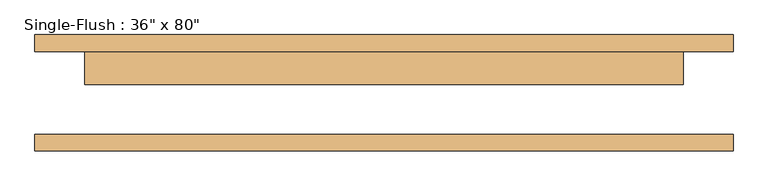
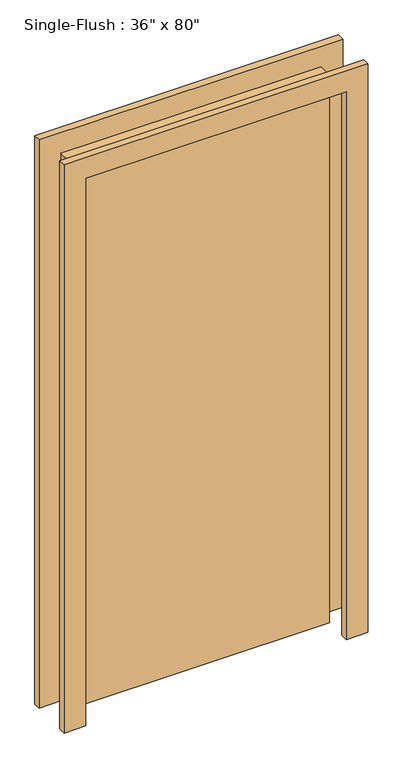
"""IFC4 building model written with IfcOpenShell, lengths in millimetres: door geometry."""

import ifcopenshell
import ifcopenshell.guid

model = None  # the IFC model being written
_history = None  # IfcOwnerHistory: only IFC2X3 demands one
_inside = {}  # id of a spatial element -> (the spatial element, [elements in it])
_under = {}  # id of a project, library or spatial element -> (it, [spatial elements below it])
_declared = {}  # id of a project -> (the project, [libraries it declares])
_typed = {}  # id of a type object -> (the type object, [elements of that type])
_made_of = {}  # id of a material, layer set ... -> (it, [elements and type objects made of it])


def new_model(schema):
    """Start an empty IFC model of exactly this schema.

    Asked for "IFC4X3", IfcOpenShell would pick the latest addendum, in which some entities
    have other attributes; the version numbers below select the first issue.
    IFC2X3 requires an IfcOwnerHistory on every rooted entity: one is made here for all.
    """
    global model, _history
    if schema == "IFC4X3":
        model = ifcopenshell.file(schema_version=(4, 3, 0, 0))
    else:
        model = ifcopenshell.file(schema=schema)
    _inside.clear()
    _under.clear()
    _declared.clear()
    _typed.clear()
    _made_of.clear()
    _history = None
    if model.schema == "IFC2X3":
        org = make("IfcOrganization", Name="unknown")
        user = make(
            "IfcPersonAndOrganization",
            ThePerson=make("IfcPerson", FamilyName="unknown"),
            TheOrganization=org,
        )
        app = make(
            "IfcApplication",
            ApplicationDeveloper=org,
            Version="unknown",
            ApplicationFullName="unknown",
            ApplicationIdentifier="unknown",
        )
        _history = make(
            "IfcOwnerHistory",
            OwningUser=user,
            OwningApplication=app,
            ChangeAction="ADDED",
            CreationDate=0,
        )
    return model


def make(cls, **values):
    """One entity of the class cls with the attributes given. An attribute that is None is left unset."""
    return model.create_entity(
        cls, **{name: value for name, value in values.items() if value is not None}
    )


def rooted(cls, **values):
    """An entity with a GlobalId (a new one), such as an element, a storey or a relation."""
    return make(cls, GlobalId=ifcopenshell.guid.new(), OwnerHistory=_history, **values)


def si_unit(unit_type, name, prefix=None):
    """IfcSIUnit, for example si_unit("LENGTHUNIT", "METRE", prefix="MILLI")."""
    return make("IfcSIUnit", UnitType=unit_type, Prefix=prefix, Name=name)


def assignment(units):
    """IfcUnitAssignment: the units of a project."""
    return None if units is None else make("IfcUnitAssignment", Units=units)


def point(xyz):
    """IfcCartesianPoint."""
    return None if xyz is None else make("IfcCartesianPoint", Coordinates=xyz)


def direction(xyz):
    """IfcDirection."""
    return None if xyz is None else make("IfcDirection", DirectionRatios=xyz)


def frame(location, z_axis=None, x_axis=None):
    """IfcAxis2Placement3D, a coordinate frame: its origin and axes. An axis left out is left unset."""
    return make(
        "IfcAxis2Placement3D",
        Location=point(location),
        Axis=direction(z_axis),
        RefDirection=direction(x_axis),
    )


def origin():
    """The frame at (0, 0, 0) with its axes left unset."""
    return frame((0.0, 0.0, 0.0))


def origin_with_axes():
    """The frame at (0, 0, 0) with the z axis (0, 0, 1) and the x axis (1, 0, 0) written out."""
    return frame((0.0, 0.0, 0.0), z_axis=(0.0, 0.0, 1.0), x_axis=(1.0, 0.0, 0.0))


def place(relative_to, where):
    """IfcLocalPlacement: puts the frame where relative to a parent placement (None: the world)."""
    return make(
        "IfcLocalPlacement", PlacementRelTo=relative_to, RelativePlacement=where
    )


def context(
    kind, dimensions, precision=None, world=None, true_north=None, identifier=None
):
    """IfcGeometricRepresentationContext, for example the 3D "Model" context."""
    return make(
        "IfcGeometricRepresentationContext",
        ContextIdentifier=identifier,
        ContextType=kind,
        CoordinateSpaceDimension=dimensions,
        Precision=precision,
        WorldCoordinateSystem=world,
        TrueNorth=true_north,
    )


def project(units=None, contexts=None):
    """IfcProject with its units and contexts."""
    return rooted(
        "IfcProject",
        Name="project",
        RepresentationContexts=contexts,
        UnitsInContext=assignment(units),
    )


def spatial(cls, under=None, at=None, **own):
    """A site, building, storey or space (cls), placed at a placement, below another one or the project."""
    s = rooted(cls, ObjectPlacement=at, **own)
    if under is not None:
        _under.setdefault(under.id(), (under, []))[1].append(s)
    return s


def polyline(points):
    """IfcPolyline through the points."""
    return make("IfcPolyline", Points=[point(p) for p in points])


def outline(outer, holes=None, kind="AREA"):
    """IfcArbitraryClosedProfileDef: a profile drawn as a closed curve; with holes, ...WithVoids."""
    if holes is None:
        return make("IfcArbitraryClosedProfileDef", ProfileType=kind, OuterCurve=outer)
    return make(
        "IfcArbitraryProfileDefWithVoids",
        ProfileType=kind,
        OuterCurve=outer,
        InnerCurves=holes,
    )


def extrude(swept, where, along, depth):
    """IfcExtrudedAreaSolid: the profile swept, set in the frame where, extruded along a direction by depth."""
    return make(
        "IfcExtrudedAreaSolid",
        SweptArea=swept,
        Position=where,
        ExtrudedDirection=direction(along),
        Depth=depth,
    )


def shape(context_of_items, identifier, shape_type, items):
    """IfcShapeRepresentation: the items that make up one representation, for example the "Body"."""
    return make(
        "IfcShapeRepresentation",
        ContextOfItems=context_of_items,
        RepresentationIdentifier=identifier,
        RepresentationType=shape_type,
        Items=items,
    )


def source(mapping_origin, context_of_items, identifier, shape_type, items):
    """IfcRepresentationMap: a shape defined once, which mapped items show again and again."""
    return make(
        "IfcRepresentationMap",
        MappingOrigin=mapping_origin,
        MappedRepresentation=shape(context_of_items, identifier, shape_type, items),
    )


def transform(
    local_origin,
    x_axis=None,
    y_axis=None,
    z_axis=None,
    scale=None,
    scale2=None,
    scale3=None,
    uniform=True,
):
    """IfcCartesianTransformationOperator3D, or its non-uniform kind. x_axis, y_axis, z_axis: its Axis1, 2, 3."""
    if uniform:
        return make(
            "IfcCartesianTransformationOperator3D",
            Axis1=direction(x_axis),
            Axis2=direction(y_axis),
            LocalOrigin=point(local_origin),
            Scale=scale,
            Axis3=direction(z_axis),
        )
    return make(
        "IfcCartesianTransformationOperator3DnonUniform",
        Axis1=direction(x_axis),
        Axis2=direction(y_axis),
        LocalOrigin=point(local_origin),
        Scale=scale,
        Axis3=direction(z_axis),
        Scale2=scale2,
        Scale3=scale3,
    )


def mapped(mapping_source, mapping_target):
    """IfcMappedItem: shows the shape of a source again, moved by a transform."""
    return make(
        "IfcMappedItem", MappingSource=mapping_source, MappingTarget=mapping_target
    )


def made_of(thing, what):
    """Note that an element or type object is made of a material, layer set ...; save() writes the relation."""
    if what is not None:
        _made_of.setdefault(what.id(), (what, []))[1].append(thing)
    return thing


def element(
    cls,
    number,
    at=None,
    inside=None,
    cuts=None,
    type_object=None,
    material=None,
    context=None,
    identifier="Body",
    shape_type=None,
    held_by="IfcProductDefinitionShape",
    body=None,
    shapes=None,
    **own,
):
    """One element of the class cls, such as IfcWall. Its Tag is "e" and its number.

    at: its placement. inside: the storey or other place that contains it. cuts: it is an
    opening in that element (IfcRelVoidsElement). A single representation is given by context,
    identifier, shape_type and body (its items); several are given by shapes. held_by: the class
    of the entity that holds the representations. save() writes the other relations.
    """
    e = rooted(cls, Tag="e%d" % number, ObjectPlacement=at, **own)
    if body is not None:
        shapes = [shape(context, identifier, shape_type, body)]
    if shapes is not None:
        e.Representation = make(held_by, Representations=shapes)
    if inside is not None:
        _inside.setdefault(inside.id(), (inside, []))[1].append(e)
    if cuts is not None:
        rooted(
            "IfcRelVoidsElement", RelatingBuildingElement=cuts, RelatedOpeningElement=e
        )
    if type_object is not None:
        _typed.setdefault(type_object.id(), (type_object, []))[1].append(e)
    return made_of(e, material)


def aggregate(whole, parts):
    """IfcRelAggregates: a whole, such as a stair, and the parts it consists of."""
    return rooted("IfcRelAggregates", RelatingObject=whole, RelatedObjects=parts)


def save(model, path):
    """Write the relations noted so far, then the file.

    IfcRelAggregates (storeys below a building ...), IfcRelContainedInSpatialStructure (elements
    in a storey), IfcRelDefinesByType, IfcRelAssociatesMaterial and IfcRelDeclares: one each for
    every whole, place, type object, material and project.
    """
    for whole, parts in _under.values():
        aggregate(whole, parts)
    for where, things in _inside.values():
        rooted(
            "IfcRelContainedInSpatialStructure",
            RelatedElements=things,
            RelatingStructure=where,
        )
    for kind, things in _typed.values():
        rooted("IfcRelDefinesByType", RelatedObjects=things, RelatingType=kind)
    for what, things in _made_of.values():
        rooted("IfcRelAssociatesMaterial", RelatedObjects=things, RelatingMaterial=what)
    for by, libraries in _declared.values():
        rooted("IfcRelDeclares", RelatingContext=by, RelatedDefinitions=libraries)
    model.write(path)


def door_bc81e0a2(model_context):
    return source(origin(), model_context, "Body", "SweptSolid", [
        extrude(outline(polyline([(2108.2, -533.4), (0.0, -533.4), (0.0, -457.2), (2032.0, -457.2), (2032.0, 457.2), (0.0, 457.2), (0.0, 533.4), (2108.2, 533.4), (2108.2, -533.4)])), frame((0.0, 63.5, 0.0), z_axis=(0.0, 1.0, 0.0), x_axis=(0.0, 0.0, 1.0)), (0.0, 0.0, 1.0), 25.4),
        extrude(outline(polyline([(2108.2, 533.4), (2108.2, -533.4), (0.0, -533.4), (0.0, -457.2), (2032.0, -457.2), (2032.0, 457.2), (0.0, 457.2), (0.0, 533.4), (2108.2, 533.4)])), frame((0.0, -88.9, 0.0), z_axis=(0.0, 1.0, 0.0), x_axis=(0.0, 0.0, 1.0)), (0.0, 0.0, 1.0), 25.4),
        extrude(outline(polyline([(457.2, 12.7), (-457.2, 12.7), (-457.2, 63.5), (457.2, 63.5), (457.2, 12.7)])), origin_with_axes(), (0.0, 0.0, 1.0), 2032.0),
    ])


if __name__ == "__main__":
    model = new_model("IFC4")
    model_context = context("Model", 3, world=origin())
    ifc_project = project(units=[si_unit("LENGTHUNIT", "METRE", prefix="MILLI")], contexts=[model_context])
    site = spatial("IfcSite", under=ifc_project)
    building = spatial("IfcBuilding", under=site)
    placement = place(None, origin())
    door_shape = door_bc81e0a2(model_context)
    element("IfcDoor", 1, ObjectType="Single-Flush : 36\" x 80\"", at=placement, inside=building, context=model_context, shape_type="MappedRepresentation", body=[
        mapped(door_shape, transform((0.0, 0.0, 0.0), x_axis=(1.0, 0.0, 0.0), y_axis=(0.0, 1.0, 0.0), z_axis=(0.0, 0.0, 1.0))),
    ])
    save(model, "model.ifc")
